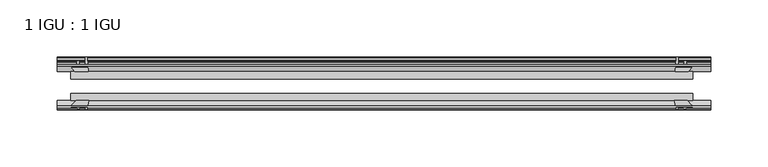
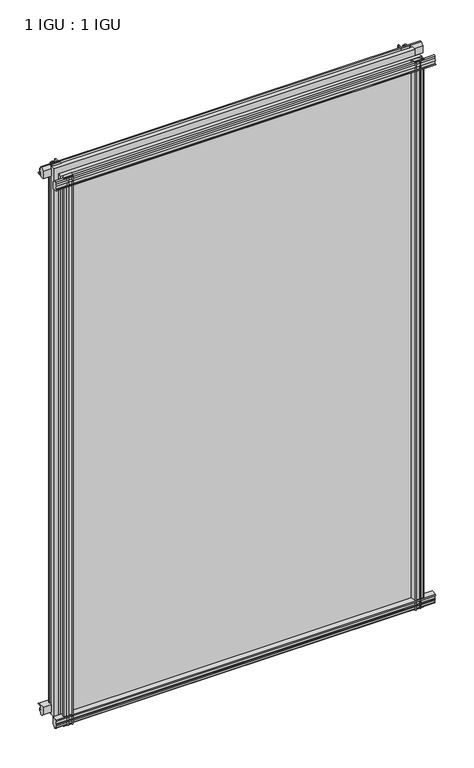
"""IFC4 building model written with IfcOpenShell, lengths in millimetres: plate geometry, 1 IGU : 1 IGU."""

from ifc_helpers import new_model, si_unit, point, frame, frame_2d, origin, place, context, project, spatial, polyline, circle_curve, trimmed, segment, composite_curve, outline, extrude, source, transform, mapped, element, save


def plate_1_igu_1_igu_f52ead52(model_context):
    return source(origin(), model_context, "Body", "SweptSolid", [
        extrude(outline(composite_curve([segment(polyline([(-57.0900403, 1.731044), (-50.00625, 3.0983599), (-50.00625, -7.92383), (-54.1882244, -12.1058044)]), True, "CONTINUOUS"), segment(trimmed(circle_curve(frame_2d((-55.08625, -11.2077788)), 1.27), [point((-54.1882244, -12.1058044))], [point((-56.35625, -11.2077788))], False, "CARTESIAN"), True, "CONTINUOUS"), segment(polyline([(-56.35625, -11.2077788), (-56.35625, -8.0327788), (-57.835546, -5.4488186), (-56.35625, -5.1879788), (-56.35625, 0.2222212), (-57.65913, 0.0383748)]), True, "CONTINUOUS"), segment(trimmed(circle_curve(frame_2d((-56.9150839, 0.7302212)), 1.016), [point((-57.65913, 0.0383748))], [point((-57.0900403, 1.731044))], False, "CARTESIAN"), True, "CONTINUOUS")], self_intersect=False)), frame((-283.2989, 0.0, 0.0), z_axis=(1.0, 0.0, 0.0), x_axis=(0.0, 1.0, 0.0)), (0.0, 0.0, 1.0), 570.6364),
        extrude(outline(composite_curve([segment(polyline([(-24.60625, 2.5763839), (-12.8423053, 1.6478499)]), True, "CONTINUOUS"), segment(trimmed(circle_curve(frame_2d((-12.92225, 0.635)), 1.016), [point((-12.8423053, 1.6478499))], [point((-12.1291353, 0.0))], False, "CARTESIAN"), True, "CONTINUOUS"), segment(polyline([(-12.1291353, 0.0), (-18.25625, 0.0), (-18.25625, -4.953), (-15.9568457, -5.5691235), (-16.3325195, -4.1670901), (-15.4738114, -3.937), (-14.82725, -6.35), (-15.4738114, -8.763), (-16.3325195, -8.5329099), (-15.9568457, -7.1308765), (-18.25625, -7.747), (-18.25625, -12.7), (-20.28825, -12.7), (-24.60625, -9.1036931), (-24.60625, 2.5763839)]), True, "CONTINUOUS")], self_intersect=False)), frame((-283.2989, 0.0, 0.0), z_axis=(1.0, 0.0, 0.0), x_axis=(0.0, 1.0, 0.0)), (0.0, 0.0, 1.0), 570.6364),
        extrude(outline(composite_curve([segment(polyline([(-20.28825, 857.1484), (-18.25625, 857.1484), (-18.25625, 852.1954), (-15.9568457, 851.5792765), (-16.3325195, 852.9813099), (-15.4738114, 853.2114), (-14.82725, 850.7984), (-15.4738114, 848.3854), (-16.3325195, 848.6154901), (-15.9568457, 850.0175235), (-18.25625, 849.4014), (-18.25625, 844.4484), (-12.1291353, 844.4484)]), True, "CONTINUOUS"), segment(trimmed(circle_curve(frame_2d((-12.92225, 843.8134)), 1.016), [point((-12.1291353, 844.4484))], [point((-12.8423053, 842.8005501))], False, "CARTESIAN"), True, "CONTINUOUS"), segment(polyline([(-12.8423053, 842.8005501), (-24.60625, 841.8720161), (-24.60625, 853.5520931), (-20.28825, 857.1484)]), True, "CONTINUOUS")], self_intersect=False)), frame((-283.2989, 0.0, 0.0), z_axis=(1.0, 0.0, 0.0), x_axis=(0.0, 1.0, 0.0)), (0.0, 0.0, 1.0), 570.6364),
        extrude(outline(composite_curve([segment(trimmed(circle_curve(frame_2d((-56.9150839, 843.7181788)), 1.016), [point((-57.0900403, 842.717356))], [point((-57.65913, 844.4100252))], False, "CARTESIAN"), True, "CONTINUOUS"), segment(polyline([(-57.65913, 844.4100252), (-56.35625, 844.2261788), (-56.35625, 849.6363788), (-57.835546, 849.8972186), (-56.35625, 852.4811788), (-56.35625, 855.6561788)]), True, "CONTINUOUS"), segment(trimmed(circle_curve(frame_2d((-55.08625, 855.6561788)), 1.27), [point((-56.35625, 855.6561788))], [point((-54.1882244, 856.5542044))], False, "CARTESIAN"), True, "CONTINUOUS"), segment(polyline([(-54.1882244, 856.5542044), (-50.00625, 852.37223), (-50.00625, 841.3500401), (-57.0900403, 842.717356)]), True, "CONTINUOUS")], self_intersect=False)), frame((-283.2989, 0.0, 0.0), z_axis=(1.0, 0.0, 0.0), x_axis=(0.0, 1.0, 0.0)), (0.0, 0.0, 1.0), 570.6364),
        extrude(outline(composite_curve([segment(polyline([(256.1861161, -24.60625), (257.1146501, -12.8423053)]), True, "CONTINUOUS"), segment(trimmed(circle_curve(frame_2d((258.1275, -12.92225)), 1.016), [point((257.1146501, -12.8423053))], [point((258.7625, -12.1291353))], False, "CARTESIAN"), True, "CONTINUOUS"), segment(polyline([(258.7625, -12.1291353), (258.7625, -18.25625), (263.7155, -18.25625), (264.3316235, -15.9568457), (262.9295901, -16.3325195), (262.6995, -15.4738114), (265.1125, -14.82725), (267.5255, -15.4738114), (267.2954099, -16.3325195), (265.8933765, -15.9568457), (266.5095, -18.25625), (271.4625, -18.25625), (271.4625, -20.28825), (267.8661931, -24.60625), (256.1861161, -24.60625)]), True, "CONTINUOUS")], self_intersect=False)), frame((0.0, 0.0, -12.7), z_axis=(0.0, 0.0, 1.0), x_axis=(1.0, 0.0, 0.0)), (0.0, 0.0, 1.0), 869.8484),
        extrude(outline(composite_curve([segment(polyline([(263.9504788, -56.35625), (258.5402788, -56.35625), (258.7241252, -57.65913)]), True, "CONTINUOUS"), segment(trimmed(circle_curve(frame_2d((258.0322788, -56.9150839)), 1.016), [point((258.7241252, -57.65913))], [point((257.031456, -57.0900403))], False, "CARTESIAN"), True, "CONTINUOUS"), segment(polyline([(257.031456, -57.0900403), (255.6641401, -50.00625), (266.68633, -50.00625), (270.8683044, -54.1882244)]), True, "CONTINUOUS"), segment(trimmed(circle_curve(frame_2d((269.9702788, -55.08625)), 1.27), [point((270.8683044, -54.1882244))], [point((269.9702788, -56.35625))], False, "CARTESIAN"), True, "CONTINUOUS"), segment(polyline([(269.9702788, -56.35625), (266.7952788, -56.35625), (264.2113186, -57.835546), (263.9504788, -56.35625)]), True, "CONTINUOUS")], self_intersect=False)), frame((0.0, 0.0, -12.7), z_axis=(0.0, 0.0, 1.0), x_axis=(1.0, 0.0, 0.0)), (0.0, 0.0, 1.0), 869.8484),
        extrude(outline(composite_curve([segment(polyline([(-256.1861161, -24.60625), (-267.8661931, -24.60625), (-271.4625, -20.28825), (-271.4625, -18.25625), (-266.5095, -18.25625), (-265.8933765, -15.9568457), (-267.2954099, -16.3325195), (-267.5255, -15.4738114), (-265.1125, -14.82725), (-262.6995, -15.4738114), (-262.9295901, -16.3325195), (-264.3316235, -15.9568457), (-263.7155, -18.25625), (-258.7625, -18.25625), (-258.7625, -12.1291353)]), True, "CONTINUOUS"), segment(trimmed(circle_curve(frame_2d((-258.1275, -12.92225)), 1.016), [point((-258.7625, -12.1291353))], [point((-257.1146501, -12.8423053))], False, "CARTESIAN"), True, "CONTINUOUS"), segment(polyline([(-257.1146501, -12.8423053), (-256.1861161, -24.60625)]), True, "CONTINUOUS")], self_intersect=False)), frame((0.0, 0.0, -12.7), z_axis=(0.0, 0.0, 1.0), x_axis=(1.0, 0.0, 0.0)), (0.0, 0.0, 1.0), 869.8484),
        extrude(outline(composite_curve([segment(polyline([(-255.6641401, -50.00625), (-257.031456, -57.0900403)]), True, "CONTINUOUS"), segment(trimmed(circle_curve(frame_2d((-258.0322788, -56.9150839)), 1.016), [point((-257.031456, -57.0900403))], [point((-258.7241252, -57.65913))], False, "CARTESIAN"), True, "CONTINUOUS"), segment(polyline([(-258.7241252, -57.65913), (-258.5402788, -56.35625), (-263.9504788, -56.35625), (-264.2113186, -57.835546), (-266.7952788, -56.35625), (-269.9702788, -56.35625)]), True, "CONTINUOUS"), segment(trimmed(circle_curve(frame_2d((-269.9702788, -55.08625)), 1.27), [point((-269.9702788, -56.35625))], [point((-270.8683044, -54.1882244))], False, "CARTESIAN"), True, "CONTINUOUS"), segment(polyline([(-270.8683044, -54.1882244), (-266.68633, -50.00625), (-255.6641401, -50.00625)]), True, "CONTINUOUS")], self_intersect=False)), frame((0.0, 0.0, -12.7), z_axis=(0.0, 0.0, 1.0), x_axis=(1.0, 0.0, 0.0)), (0.0, 0.0, 1.0), 869.8484),
        extrude(outline(polyline([(-271.4625, -24.60625), (271.4625, -24.60625), (271.4625, -30.95625), (-271.4625, -30.95625), (-271.4625, -24.60625)])), frame((0.0, 0.0, -12.7), z_axis=(0.0, 0.0, 1.0), x_axis=(1.0, 0.0, 0.0)), (0.0, 0.0, 1.0), 869.8484),
        extrude(outline(polyline([(271.4625, -43.65625), (271.4625, -50.00625), (-271.4625, -50.00625), (-271.4625, -43.65625), (271.4625, -43.65625)])), frame((0.0, 0.0, -12.7), z_axis=(0.0, 0.0, 1.0), x_axis=(1.0, 0.0, 0.0)), (0.0, 0.0, 1.0), 869.8484),
    ])


if __name__ == "__main__":
    model = new_model("IFC4")
    model_context = context("Model", 3, world=origin())
    ifc_project = project(units=[si_unit("LENGTHUNIT", "METRE", prefix="MILLI")], contexts=[model_context])
    site = spatial("IfcSite", under=ifc_project)
    building = spatial("IfcBuilding", under=site)
    placement = place(None, origin())
    plate_1_igu_1_igu_shape = plate_1_igu_1_igu_f52ead52(model_context)
    element("IfcPlate", 1, ObjectType="1 IGU : 1 IGU", at=placement, inside=building, context=model_context, shape_type="MappedRepresentation", body=[
        mapped(plate_1_igu_1_igu_shape, transform((0.0, 0.0, 0.0), x_axis=(1.0, 0.0, 0.0), y_axis=(0.0, 1.0, 0.0), z_axis=(0.0, 0.0, 1.0))),
    ])
    save(model, "model.ifc")
